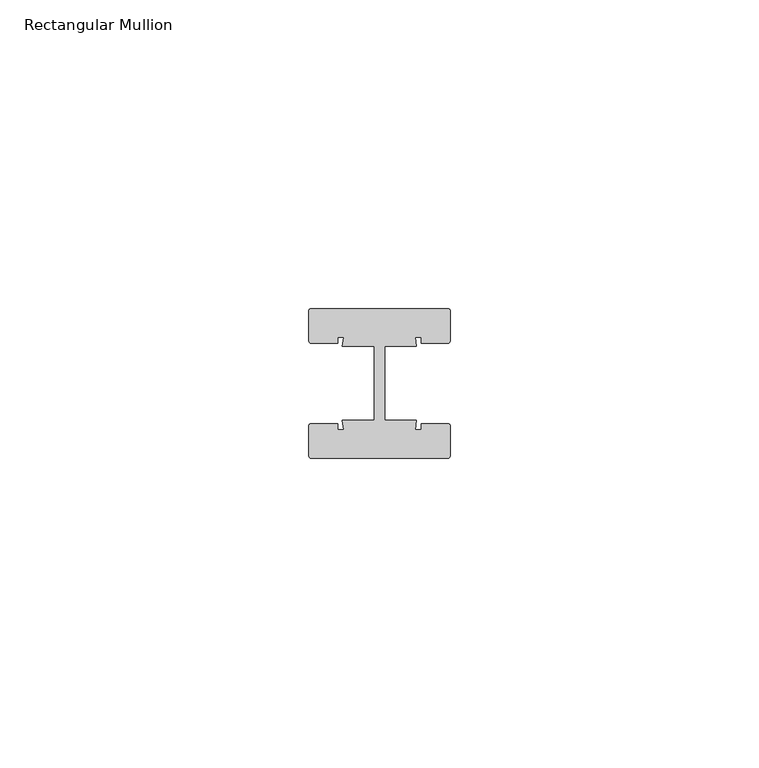
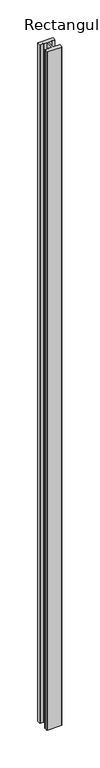
"""IFC4 building model written with IfcOpenShell, lengths in millimetres: member geometry, Rectangular Mullion."""

from ifc_helpers import new_model, si_unit, point, frame, frame_2d, origin, place, context, project, spatial, polyline, circle_curve, trimmed, segment, composite_curve, outline, extrude, source, transform, mapped, element, save


def rectangular_mullion_fc2788ef(model_context):
    return source(origin(), model_context, "Body", "SweptSolid", [
        extrude(outline(composite_curve([segment(trimmed(circle_curve(frame_2d((-11.0, 11.64)), 0.5), [point((-11.5, 11.64))], [point((-11.0, 12.14))], False, "CARTESIAN"), True, "CONTINUOUS"), segment(polyline([(-11.0, 12.14), (11.0, 12.14)]), True, "CONTINUOUS"), segment(trimmed(circle_curve(frame_2d((11.0, 11.64)), 0.5), [point((11.0, 12.14))], [point((11.5, 11.64))], False, "CARTESIAN"), True, "CONTINUOUS"), segment(polyline([(11.5, 11.64), (11.5, 7.0)]), True, "CONTINUOUS"), segment(trimmed(circle_curve(frame_2d((11.0, 7.0)), 0.5), [point((11.5, 7.0))], [point((11.0, 6.5))], False, "CARTESIAN"), True, "CONTINUOUS"), segment(polyline([(11.0, 6.5), (6.75, 6.5), (6.75, 7.5), (5.7984177, 7.5), (6.0, 6.0), (0.840625, 6.0), (0.840625, -6.0), (6.0, -6.0), (5.7984177, -7.5), (6.75, -7.5), (6.75, -6.5), (11.0, -6.5)]), True, "CONTINUOUS"), segment(trimmed(circle_curve(frame_2d((11.0, -7.0)), 0.5), [point((11.0, -6.5))], [point((11.5, -7.0))], False, "CARTESIAN"), True, "CONTINUOUS"), segment(polyline([(11.5, -7.0), (11.5, -11.64)]), True, "CONTINUOUS"), segment(trimmed(circle_curve(frame_2d((11.0, -11.64)), 0.5), [point((11.5, -11.64))], [point((11.0, -12.14))], False, "CARTESIAN"), True, "CONTINUOUS"), segment(polyline([(11.0, -12.14), (-11.0, -12.14)]), True, "CONTINUOUS"), segment(trimmed(circle_curve(frame_2d((-11.0, -11.64)), 0.5), [point((-11.0, -12.14))], [point((-11.5, -11.64))], False, "CARTESIAN"), True, "CONTINUOUS"), segment(polyline([(-11.5, -11.64), (-11.5, -7.0)]), True, "CONTINUOUS"), segment(trimmed(circle_curve(frame_2d((-11.0, -7.0)), 0.5), [point((-11.5, -7.0))], [point((-11.0, -6.5))], False, "CARTESIAN"), True, "CONTINUOUS"), segment(polyline([(-11.0, -6.5), (-6.75, -6.5), (-6.75, -7.5), (-5.7984177, -7.5), (-6.0, -6.0), (-0.840625, -6.0), (-0.840625, 6.0), (-6.0, 6.0), (-5.7984177, 7.5), (-6.75, 7.5), (-6.75, 6.5), (-11.0, 6.5)]), True, "CONTINUOUS"), segment(trimmed(circle_curve(frame_2d((-11.0, 7.0)), 0.5), [point((-11.0, 6.5))], [point((-11.5, 7.0))], False, "CARTESIAN"), True, "CONTINUOUS"), segment(polyline([(-11.5, 7.0), (-11.5, 11.64)]), True, "CONTINUOUS")], self_intersect=False)), frame((0.0, 0.0, -1095.93), z_axis=(0.0, 0.0, 1.0), x_axis=(1.0, 0.0, 0.0)), (0.0, 0.0, 1.0), 1095.93),
    ])


if __name__ == "__main__":
    model = new_model("IFC4")
    model_context = context("Model", 3, world=origin())
    ifc_project = project(units=[si_unit("LENGTHUNIT", "METRE", prefix="MILLI")], contexts=[model_context])
    site = spatial("IfcSite", under=ifc_project)
    building = spatial("IfcBuilding", under=site)
    placement = place(None, origin())
    rectangular_mullion_shape = rectangular_mullion_fc2788ef(model_context)
    element("IfcMember", 1, ObjectType="Rectangular Mullion", at=placement, inside=building, context=model_context, shape_type="MappedRepresentation", body=[
        mapped(rectangular_mullion_shape, transform((0.0, 0.0, 0.0), x_axis=(1.0, 0.0, 0.0), y_axis=(0.0, 1.0, 0.0), z_axis=(0.0, 0.0, 1.0))),
    ])
    save(model, "model.ifc")
